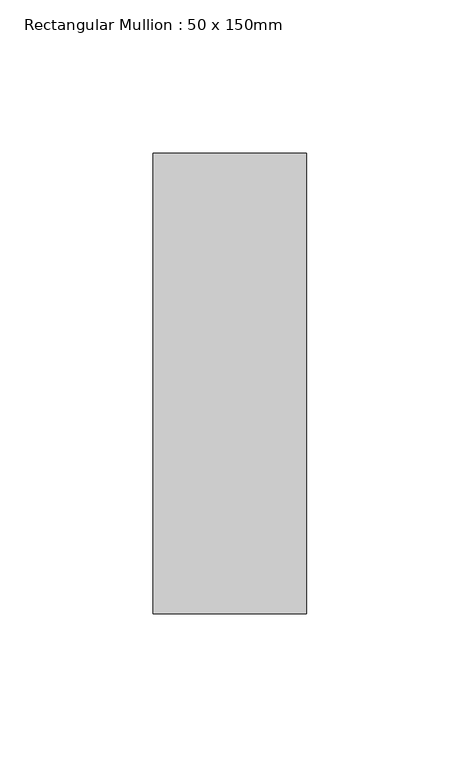
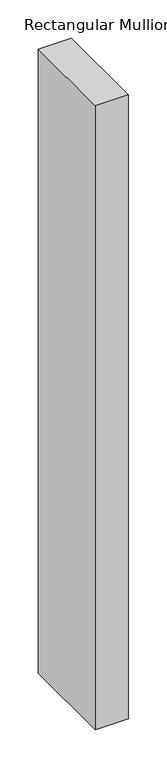
"""IFC4 building model written with IfcOpenShell, lengths in millimetres: member geometry, Rectangular Mullion : 50 x 150mm."""

from ifc_helpers import new_model, si_unit, frame, origin, place, context, project, spatial, polyline, outline, extrude, source, transform, mapped, element, save


def rectangular_mullion_50_x_150mm_71747d94(model_context):
    return source(origin(), model_context, "Body", "SweptSolid", [
        extrude(outline(polyline([(0.0, 75.0), (0.0, -75.0), (-50.0, -75.0), (-50.0, 75.0), (0.0, 75.0)])), frame((0.0, 0.0, -998.3333333), z_axis=(0.0, 0.0, 1.0), x_axis=(1.0, 0.0, 0.0)), (0.0, 0.0, 1.0), 998.3333333),
    ])


if __name__ == "__main__":
    model = new_model("IFC4")
    model_context = context("Model", 3, world=origin())
    ifc_project = project(units=[si_unit("LENGTHUNIT", "METRE", prefix="MILLI")], contexts=[model_context])
    site = spatial("IfcSite", under=ifc_project)
    building = spatial("IfcBuilding", under=site)
    placement = place(None, origin())
    rectangular_mullion_50_x_150mm_shape = rectangular_mullion_50_x_150mm_71747d94(model_context)
    element("IfcMember", 1, ObjectType="Rectangular Mullion : 50 x 150mm", at=placement, inside=building, context=model_context, shape_type="MappedRepresentation", body=[
        mapped(rectangular_mullion_50_x_150mm_shape, transform((0.0, 0.0, 0.0), x_axis=(1.0, 0.0, 0.0), y_axis=(0.0, 1.0, 0.0), z_axis=(0.0, 0.0, 1.0))),
    ])
    save(model, "model.ifc")
